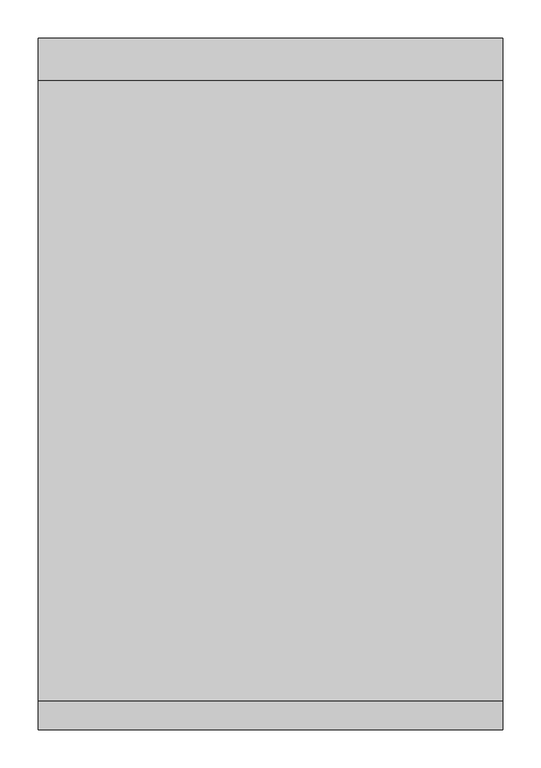
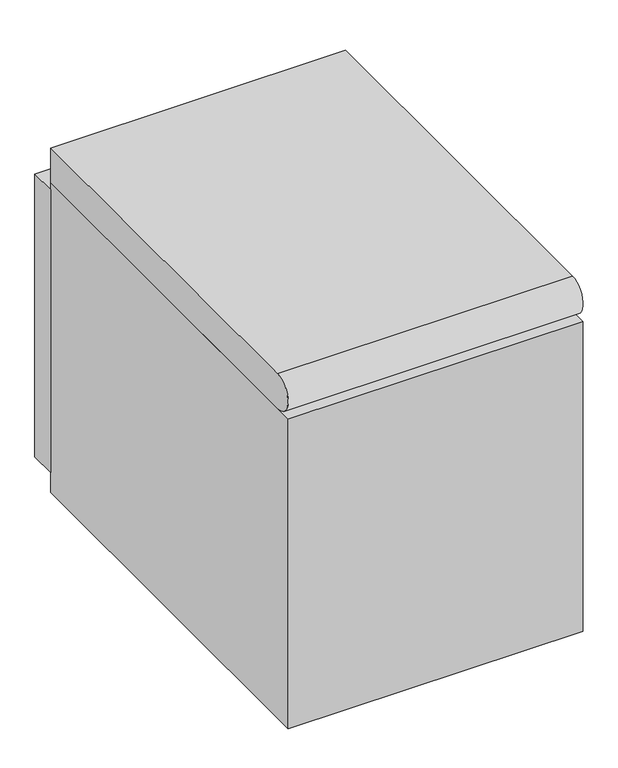
"""IFC4 building model written with IfcOpenShell, lengths in millimetres: proxy geometry."""

from ifc_helpers import new_model, si_unit, point, frame, frame_2d, origin, origin_with_axes, place, context, project, spatial, polyline, circle_curve, trimmed, segment, composite_curve, outline, extrude, faceted_brep, source, transform, mapped, element, save
from ifc_brep_helpers import plane_surface, cylinder_surface, advanced_brep


def specialty_equipment_febb367a(model_context):
    return source(origin(), model_context, "Body", "SolidModel", [
        extrude(outline(composite_curve([segment(trimmed(circle_curve(frame_2d((-245.0, 366.0)), 20.0), [point((-265.0, 366.0))], [point((-225.0, 366.0))], False, "CARTESIAN"), True, "CONTINUOUS"), segment(trimmed(circle_curve(frame_2d((-245.0, 366.0)), 20.0), [point((-225.0, 366.0))], [point((-265.0, 366.0))], False, "CARTESIAN"), True, "CONTINUOUS")], self_intersect=False)), origin_with_axes(), (0.0, 0.0, 1.0), 8.5),
        extrude(outline(composite_curve([segment(trimmed(circle_curve(frame_2d((245.0, 366.0)), 20.0), [point((225.0, 366.0))], [point((265.0, 366.0))], False, "CARTESIAN"), True, "CONTINUOUS"), segment(trimmed(circle_curve(frame_2d((245.0, 366.0)), 20.0), [point((265.0, 366.0))], [point((225.0, 366.0))], False, "CARTESIAN"), True, "CONTINUOUS")], self_intersect=False)), origin_with_axes(), (0.0, 0.0, 1.0), 8.5),
        extrude(outline(composite_curve([segment(trimmed(circle_curve(frame_2d((-245.0, -366.0)), 20.0), [point((-265.0, -366.0))], [point((-225.0, -366.0))], False, "CARTESIAN"), True, "CONTINUOUS"), segment(trimmed(circle_curve(frame_2d((-245.0, -366.0)), 20.0), [point((-225.0, -366.0))], [point((-265.0, -366.0))], False, "CARTESIAN"), True, "CONTINUOUS")], self_intersect=False)), origin_with_axes(), (0.0, 0.0, 1.0), 8.5),
        extrude(outline(composite_curve([segment(trimmed(circle_curve(frame_2d((245.0, -366.0)), 20.0), [point((225.0, -366.0))], [point((265.0, -366.0))], False, "CARTESIAN"), True, "CONTINUOUS"), segment(trimmed(circle_curve(frame_2d((245.0, -366.0)), 20.0), [point((265.0, -366.0))], [point((225.0, -366.0))], False, "CARTESIAN"), True, "CONTINUOUS")], self_intersect=False)), origin_with_axes(), (0.0, 0.0, 1.0), 8.5),
        extrude(outline(polyline([(-305.0, 482.0), (305.0, 482.0), (305.0, 426.0), (-305.0, 426.0), (-305.0, 482.0)])), frame((0.0, 0.0, 52.0), z_axis=(0.0, 0.0, 1.0), x_axis=(1.0, 0.0, 0.0)), (0.0, 0.0, 1.0), 619.0),
        advanced_brep(
        [(305.0, 426.0, 762.0), (-305.0, 426.0, 762.0), (-305.0, -388.0, 762.0), (305.0, -388.0, 762.0), (-305.0, 426.0, 686.0), (305.0, 426.0, 686.0), (305.0, -388.0, 686.0), (-305.0, -388.0, 686.0), (-305.0, -426.0, 724.0), (305.0, -426.0, 724.0)],
        [
            (0, 1),
            (1, 2),
            (2, 3),
            (3, 0),
            (4, 5),
            (5, 6),
            (6, 7),
            (7, 4),
            (0, 5),
            (4, 1),
            (7, 8, circle_curve(frame((-305.0, -388.0, 724.0), z_axis=(-1.0, 0.0, 0.0), x_axis=(0.0, 1.0, 0.0)), 38.0)),
            (8, 2, circle_curve(frame((-305.0, -388.0, 724.0), z_axis=(-1.0, 0.0, 0.0), x_axis=(0.0, 1.0, 0.0)), 38.0)),
            (3, 9, circle_curve(frame((305.0, -388.0, 724.0), z_axis=(1.0, 0.0, 0.0), x_axis=(0.0, 1.0, 0.0)), 38.0)),
            (9, 6, circle_curve(frame((305.0, -388.0, 724.0), z_axis=(1.0, 0.0, 0.0), x_axis=(0.0, 1.0, 0.0)), 38.0)),
        ],
        [
            plane_surface(frame((-305.0, 426.0, 762.0), z_axis=(0.0, 0.0, 1.0), x_axis=(-1.0, 0.0, 0.0))),
            plane_surface(frame((-305.0, 426.0, 686.0), z_axis=(0.0, 0.0, -1.0), x_axis=(1.0, 0.0, 0.0))),
            plane_surface(frame((305.0, 426.0, 762.0), z_axis=(0.0, 1.0, 0.0), x_axis=(0.0, 0.0, -1.0))),
            plane_surface(frame((-305.0, 426.0, 762.0), z_axis=(-1.0, 0.0, 0.0), x_axis=(0.0, 0.0, -1.0))),
            plane_surface(frame((305.0, -426.0, 762.0), z_axis=(1.0, 0.0, 0.0), x_axis=(0.0, 0.0, -1.0))),
            cylinder_surface(frame((305.0, -388.0, 724.0), z_axis=(1.0, 0.0, 0.0), x_axis=(0.0, 1.0, 0.0)), 38.0),
        ],
        [
            (0, [[1, 2, 3, 4]]),
            (1, [[5, 6, 7, 8]]),
            (2, [[-1, 9, -5, 10]]),
            (3, [[-10, -8, 11, 12, -2]]),
            (4, [[-9, -4, 13, 14, -6]]),
            (5, [[-3, -12, -11, -7, -14, -13]]),
        ],
    ),
        faceted_brep([(305.0, 426.0, 686.0), (-305.0, 426.0, 686.0), (-305.0, -388.0, 686.0), (-305.0, -426.0, 686.0), (305.0, -426.0, 686.0), (305.0, -388.0, 686.0), (305.0, 426.0, 8.5), (305.0, -426.0, 8.5), (-305.0, -426.0, 8.5), (-305.0, 426.0, 8.5)], [[[0, 1, 2, 3, 4, 5]], [[6, 7, 8, 9]], [[1, 0, 6, 9]], [[9, 8, 3, 2, 1]], [[4, 3, 8, 7]], [[7, 6, 0, 5, 4]]]),
    ])


if __name__ == "__main__":
    model = new_model("IFC4")
    model_context = context("Model", 3, world=origin())
    ifc_project = project(units=[si_unit("LENGTHUNIT", "METRE", prefix="MILLI")], contexts=[model_context])
    site = spatial("IfcSite", under=ifc_project)
    building = spatial("IfcBuilding", under=site)
    placement = place(None, origin())
    specialty_equipment_shape = specialty_equipment_febb367a(model_context)
    element("IfcBuildingElementProxy", 1, Name="Specialty Equipment", at=placement, inside=building, context=model_context, shape_type="MappedRepresentation", body=[
        mapped(specialty_equipment_shape, transform((0.0, 0.0, 0.0), x_axis=(1.0, 0.0, 0.0), y_axis=(0.0, 1.0, 0.0), z_axis=(0.0, 0.0, 1.0))),
    ])
    save(model, "model.ifc")
